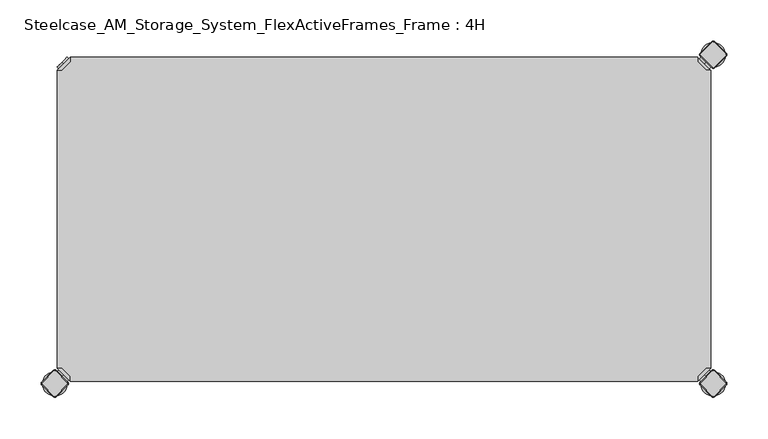
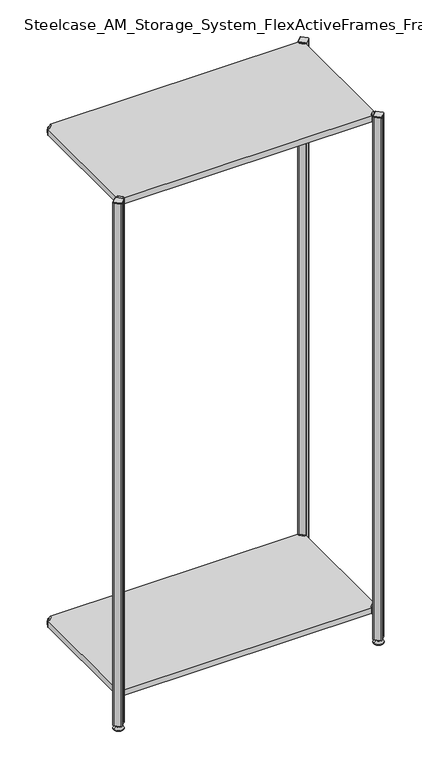
"""IFC4 building model written with IfcOpenShell, lengths in millimetres: furniture geometry, Steelcase_AM_Storage_System_FlexActiveFrames_Frame : 4H."""

from ifc_helpers import new_model, si_unit, point, frame, frame_2d, origin, place, context, project, spatial, polyline, circle_curve, trimmed, segment, composite_curve, outline, extrude, source, transform, mapped, element, save
from ifc_brep_helpers import plane_surface, cylinder_surface, revolved_surface, advanced_brep


def steelcase_am_storage_system_flexactiveframes_frame_4h_9c1597e1(model_context):
    return source(origin(), model_context, "Body", "SolidModel", [
        advanced_brep(
        [(10.9601551, -10.9601551, 1698.5), (10.9601551, -10.9601551, 1715.5), (10.9601551, -10.9601551, 1707.0), (8.8388348, -8.8388348, 1698.5), (8.8388348, -8.8388348, 1715.5), (8.8388348, -8.8388348, 1707.0)],
        [
            (0, 1, circle_curve(frame((10.9601551, -10.9601551, 1707.0), z_axis=(0.7071067811865464, -0.7071067811865487, 0.0), x_axis=(0.0, 0.0, 1.0)), 8.5)),
            (1, 2),
            (2, 0),
            (1, 0, circle_curve(frame((10.9601551, -10.9601551, 1707.0), z_axis=(0.7071067811865464, -0.7071067811865487, 0.0), x_axis=(0.0, 0.0, 1.0)), 8.5)),
            (3, 4, circle_curve(frame((8.8388348, -8.8388348, 1707.0), z_axis=(0.7071067811865464, -0.7071067811865487, 0.0), x_axis=(0.0, 0.0, 1.0)), 8.5)),
            (4, 1),
            (0, 3),
            (4, 3, circle_curve(frame((8.8388348, -8.8388348, 1707.0), z_axis=(0.7071067811865464, -0.7071067811865487, 0.0), x_axis=(0.0, 0.0, 1.0)), 8.5)),
            (5, 4),
            (3, 5),
        ],
        [
            plane_surface(frame((10.9601551, -10.9601551, 1707.0), z_axis=(0.707106781186546, -0.7071067811865491, 0.0), x_axis=(0.0, 0.0, 1.0))),
            cylinder_surface(frame((8.8388348, -8.8388348, 1707.0), z_axis=(-0.7071067811865464, 0.7071067811865487, 0.0), x_axis=(0.0, 0.0, 1.0)), 8.5),
            plane_surface(frame((8.8388348, -8.8388348, 1707.0), z_axis=(-0.707106781186546, 0.7071067811865491, 0.0), x_axis=(0.0, 0.0, 1.0))),
        ],
        [
            (0, [[1, 2, 3]]),
            (0, [[4, -3, -2]]),
            (1, [[5, 6, -1, 7]]),
            (1, [[8, -7, -4, -6]]),
            (2, [[9, -5, 10]]),
            (2, [[-10, -8, -9]]),
        ],
    ),
        advanced_brep(
        [(18.9203102, -3.0, 1717.0), (3.0, -18.9203102, 1717.0), (8.6568542, -18.9203102, 1717.0), (18.9203102, -8.6568542, 1717.0), (18.9203102, -3.0, 1698.0), (18.9203102, -3.0, 1697.0), (3.0, -18.9203102, 1697.0), (3.0, -18.9203102, 1698.0), (8.6568542, -18.9203102, 1698.0), (18.9203102, -8.6568542, 1698.0), (31.8093975, -47.7297077, 1698.0), (47.7297077, -31.8093975, 1698.0), (47.7297077, -31.8093975, 1697.0), (31.8093975, -47.7297077, 1697.0)],
        [
            (0, 1),
            (1, 2),
            (2, 3),
            (3, 0),
            (0, 4),
            (4, 5),
            (5, 6),
            (6, 7),
            (7, 1),
            (2, 8),
            (8, 9),
            (9, 3),
            (9, 4),
            (7, 8),
            (7, 10),
            (10, 11, circle_curve(frame((39.7695526, -39.7695526, 1698.0), z_axis=(0.0, 0.0, 1.0), x_axis=(1.0, 0.0, 0.0)), 11.2573593)),
            (11, 4),
            (5, 12),
            (12, 13, circle_curve(frame((39.7695526, -39.7695526, 1697.0), z_axis=(0.0, 0.0, -1.0), x_axis=(1.0, 0.0, 0.0)), 11.2573593)),
            (13, 6),
            (13, 10),
            (12, 11),
        ],
        [
            plane_surface(frame((-38.8756299, -60.7959401, 1717.0), z_axis=(0.0, 0.0, 1.0000000000000002), x_axis=(-0.7071067811865557, -0.7071067811865395, 0.0))),
            plane_surface(frame((18.9203102, -3.0, 1717.0), z_axis=(-0.7071067811865395, 0.7071067811865557, 0.0), x_axis=(0.0, 0.0, -1.0))),
            plane_surface(frame((8.6568542, -18.9203102, 1717.0), z_axis=(0.7071067811865481, -0.7071067811865469, 0.0), x_axis=(0.0, 0.0, -1.0))),
            plane_surface(frame((18.9203102, -8.6568542, 1717.0), z_axis=(1.0, 0.0, 0.0), x_axis=(0.0, 0.0, -1.0))),
            plane_surface(frame((3.0, -18.9203102, 1717.0), z_axis=(0.0, -1.0, 0.0), x_axis=(0.0, 0.0, -1.0))),
            plane_surface(frame((3.0, -18.9203102, 1698.0), z_axis=(0.0, 0.0, 1.0), x_axis=(-0.7071067811865485, -0.7071067811865466, 0.0))),
            plane_surface(frame((3.0, -18.9203102, 1697.0), z_axis=(0.0, 0.0, -1.0), x_axis=(0.7071067811865485, 0.7071067811865466, 0.0))),
            plane_surface(frame((3.0, -18.9203102, 1698.0), z_axis=(-0.7071067811865491, -0.707106781186546, 0.0), x_axis=(0.0, 0.0, -1.0))),
            cylinder_surface(frame((39.7695526, -39.7695526, 1697.0), z_axis=(0.0, 0.0, 1.0), x_axis=(1.0, 0.0, 0.0)), 11.2573593),
            plane_surface(frame((47.7297077, -31.8093975, 1698.0), z_axis=(0.707106781186548, 0.7071067811865471, 0.0), x_axis=(0.0, 0.0, -1.0))),
        ],
        [
            (0, [[1, 2, 3, 4]]),
            (1, [[-1, 5, 6, 7, 8, 9]]),
            (2, [[-3, 10, 11, 12]]),
            (3, [[-4, -12, 13, -5]]),
            (4, [[-2, -9, 14, -10]]),
            (5, [[15, 16, 17, -13, -11, -14]]),
            (6, [[18, 19, 20, -7]]),
            (7, [[-15, -8, -20, 21]]),
            (8, [[-16, -21, -19, 22]]),
            (9, [[-17, -22, -18, -6]]),
        ],
    ),
        extrude(outline(polyline([(781.0796898, -3.0), (781.0796898, -8.6568542), (791.3431458, -18.9203102), (797.0, -18.9203102), (797.0, -381.0796898), (791.3431458, -381.0796898), (781.0796898, -391.3431458), (781.0796898, -397.0), (18.9203102, -397.0), (18.9203102, -391.3431458), (8.6568542, -381.0796898), (3.0, -381.0796898), (3.0, -18.9203102), (8.6568542, -18.9203102), (18.9203102, -8.6568542), (18.9203102, -3.0), (781.0796898, -3.0)])), frame((0.0, 0.0, 1698.0), z_axis=(0.0, 0.0, 1.0), x_axis=(1.0, 0.0, 0.0)), (0.0, 0.0, 1.0), 19.0),
        advanced_brep(
        [(789.0398449, -10.9601551, 98.5), (789.0398449, -10.9601551, 107.0), (789.0398449, -10.9601551, 115.5), (791.1611652, -8.8388348, 98.5), (791.1611652, -8.8388348, 115.5), (791.1611652, -8.8388348, 107.0)],
        [
            (0, 1),
            (1, 2),
            (2, 0, circle_curve(frame((789.0398449, -10.9601551, 107.0), z_axis=(-0.7071067811865556, -0.7071067811865395, 0.0), x_axis=(0.0, 0.0, 1.0)), 8.5)),
            (0, 2, circle_curve(frame((789.0398449, -10.9601551, 107.0), z_axis=(-0.7071067811865556, -0.7071067811865395, 0.0), x_axis=(0.0, 0.0, 1.0)), 8.5)),
            (3, 0),
            (2, 4),
            (4, 3, circle_curve(frame((791.1611652, -8.8388348, 107.0), z_axis=(-0.7071067811865556, -0.7071067811865395, 0.0), x_axis=(0.0, 0.0, 1.0)), 8.5)),
            (3, 4, circle_curve(frame((791.1611652, -8.8388348, 107.0), z_axis=(-0.7071067811865556, -0.7071067811865395, 0.0), x_axis=(0.0, 0.0, 1.0)), 8.5)),
            (5, 3),
            (4, 5),
        ],
        [
            plane_surface(frame((789.0398449, -10.9601551, 107.0), z_axis=(-0.7071067811865552, -0.7071067811865399, 0.0), x_axis=(0.0, 0.0, 1.0))),
            cylinder_surface(frame((791.1611652, -8.8388348, 107.0), z_axis=(0.7071067811865556, 0.7071067811865395, 0.0), x_axis=(0.0, 0.0, 1.0)), 8.5),
            plane_surface(frame((791.1611652, -8.8388348, 107.0), z_axis=(0.7071067811865552, 0.7071067811865399, 0.0), x_axis=(0.0, 0.0, 1.0))),
        ],
        [
            (0, [[1, 2, 3]]),
            (0, [[-2, -1, 4]]),
            (1, [[5, -3, 6, 7]]),
            (1, [[-6, -4, -5, 8]]),
            (2, [[9, -7, 10]]),
            (2, [[-10, -8, -9]]),
        ],
    ),
        advanced_brep(
        [(781.0796898, -3.0, 117.0), (781.0796898, -8.6568542, 117.0), (791.3431458, -18.9203102, 117.0), (797.0, -18.9203102, 117.0), (797.0, -18.9203102, 98.0), (797.0, -18.9203102, 97.0), (781.0796898, -3.0, 97.0), (781.0796898, -3.0, 98.0), (781.0796898, -8.6568542, 98.0), (791.3431458, -18.9203102, 98.0), (752.2702923, -31.8093975, 98.0), (768.1906025, -47.7297077, 98.0), (768.1906025, -47.7297077, 97.0), (752.2702923, -31.8093975, 97.0)],
        [
            (0, 1),
            (1, 2),
            (2, 3),
            (3, 0),
            (3, 4),
            (4, 5),
            (5, 6),
            (6, 7),
            (7, 0),
            (1, 8),
            (8, 9),
            (9, 2),
            (7, 8),
            (9, 4),
            (7, 10),
            (10, 11, circle_curve(frame((760.2304474, -39.7695526, 98.0), z_axis=(0.0, 0.0, 1.0), x_axis=(-1.0, 0.0, 0.0)), 11.2573593)),
            (11, 4),
            (5, 12),
            (12, 13, circle_curve(frame((760.2304474, -39.7695526, 97.0), z_axis=(0.0, 0.0, -1.0), x_axis=(-1.0, 0.0, 0.0)), 11.2573593)),
            (13, 6),
            (11, 12),
            (10, 13),
        ],
        [
            plane_surface(frame((838.8756299, -60.7959401, 117.0), z_axis=(0.0, 0.0, 1.0000000000000002), x_axis=(0.7071067811865465, -0.7071067811865487, 0.0))),
            plane_surface(frame((781.0796898, -3.0, 117.0), z_axis=(0.7071067811865487, 0.7071067811865465, 0.0), x_axis=(0.0, 0.0, -1.0))),
            plane_surface(frame((791.3431458, -18.9203102, 117.0), z_axis=(-0.7071067811865573, -0.7071067811865377, 0.0), x_axis=(0.0, 0.0, -1.0))),
            plane_surface(frame((781.0796898, -8.6568542, 117.0), z_axis=(-1.0, 0.0, 0.0), x_axis=(0.0, 0.0, -1.0))),
            plane_surface(frame((797.0, -18.9203102, 117.0), z_axis=(0.0, -1.0, 0.0), x_axis=(0.0, 0.0, -1.0))),
            plane_surface(frame((797.0, -18.9203102, 98.0), z_axis=(0.0, 0.0, 1.0), x_axis=(0.7071067811865392, -0.7071067811865558, 0.0))),
            plane_surface(frame((797.0, -18.9203102, 97.0), z_axis=(0.0, 0.0, -1.0), x_axis=(-0.7071067811865392, 0.7071067811865558, 0.0))),
            plane_surface(frame((797.0, -18.9203102, 98.0), z_axis=(0.7071067811865399, -0.7071067811865552, 0.0), x_axis=(0.0, 0.0, -1.0))),
            cylinder_surface(frame((760.2304474, -39.7695526, 97.0), z_axis=(0.0, 0.0, 1.0), x_axis=(-1.0, 0.0, 0.0)), 11.2573593),
            plane_surface(frame((752.2702923, -31.8093975, 98.0), z_axis=(-0.7071067811865388, 0.7071067811865563, 0.0), x_axis=(0.0, 0.0, -1.0))),
        ],
        [
            (0, [[1, 2, 3, 4]]),
            (1, [[5, 6, 7, 8, 9, -4]]),
            (2, [[10, 11, 12, -2]]),
            (3, [[-9, 13, -10, -1]]),
            (4, [[-12, 14, -5, -3]]),
            (5, [[-14, -11, -13, 15, 16, 17]]),
            (6, [[-7, 18, 19, 20]]),
            (7, [[21, -18, -6, -17]]),
            (8, [[22, -19, -21, -16]]),
            (9, [[-8, -20, -22, -15]]),
        ],
    ),
        advanced_brep(
        [(789.0398449, -389.0398449, 98.5), (789.0398449, -389.0398449, 115.5), (789.0398449, -389.0398449, 107.0), (791.1611652, -391.1611652, 98.5), (791.1611652, -391.1611652, 115.5), (791.1611652, -391.1611652, 107.0)],
        [
            (0, 1, circle_curve(frame((789.0398449, -389.0398449, 107.0), z_axis=(-0.7071067811865509, 0.7071067811865441, 0.0), x_axis=(0.0, 0.0, 1.0)), 8.5)),
            (1, 2),
            (2, 0),
            (1, 0, circle_curve(frame((789.0398449, -389.0398449, 107.0), z_axis=(-0.7071067811865509, 0.7071067811865441, 0.0), x_axis=(0.0, 0.0, 1.0)), 8.5)),
            (3, 4, circle_curve(frame((791.1611652, -391.1611652, 107.0), z_axis=(-0.7071067811865509, 0.7071067811865441, 0.0), x_axis=(0.0, 0.0, 1.0)), 8.5)),
            (4, 1),
            (0, 3),
            (4, 3, circle_curve(frame((791.1611652, -391.1611652, 107.0), z_axis=(-0.7071067811865509, 0.7071067811865441, 0.0), x_axis=(0.0, 0.0, 1.0)), 8.5)),
            (5, 4),
            (3, 5),
        ],
        [
            plane_surface(frame((789.0398449, -389.0398449, 107.0), z_axis=(-0.7071067811865506, 0.7071067811865446, 0.0), x_axis=(0.0, 0.0, 1.0))),
            cylinder_surface(frame((791.1611652, -391.1611652, 107.0), z_axis=(0.7071067811865509, -0.7071067811865441, 0.0), x_axis=(0.0, 0.0, 1.0)), 8.5),
            plane_surface(frame((791.1611652, -391.1611652, 107.0), z_axis=(0.7071067811865506, -0.7071067811865446, 0.0), x_axis=(0.0, 0.0, 1.0))),
        ],
        [
            (0, [[1, 2, 3]]),
            (0, [[4, -3, -2]]),
            (1, [[5, 6, -1, 7]]),
            (1, [[8, -7, -4, -6]]),
            (2, [[9, -5, 10]]),
            (2, [[-10, -8, -9]]),
        ],
    ),
        advanced_brep(
        [(781.0796898, -397.0, 117.0), (797.0, -381.0796898, 117.0), (791.3431458, -381.0796898, 117.0), (781.0796898, -391.3431458, 117.0), (781.0796898, -397.0, 98.0), (781.0796898, -397.0, 97.0), (797.0, -381.0796898, 97.0), (797.0, -381.0796898, 98.0), (791.3431458, -381.0796898, 98.0), (781.0796898, -391.3431458, 98.0), (768.1906025, -352.2702923, 98.0), (752.2702923, -368.1906025, 98.0), (752.2702923, -368.1906025, 97.0), (768.1906025, -352.2702923, 97.0)],
        [
            (0, 1),
            (1, 2),
            (2, 3),
            (3, 0),
            (0, 4),
            (4, 5),
            (5, 6),
            (6, 7),
            (7, 1),
            (2, 8),
            (8, 9),
            (9, 3),
            (9, 4),
            (7, 8),
            (7, 10),
            (10, 11, circle_curve(frame((760.2304474, -360.2304474, 98.0), z_axis=(0.0, 0.0, 1.0), x_axis=(-1.0, 0.0, 0.0)), 11.2573593)),
            (11, 4),
            (5, 12),
            (12, 13, circle_curve(frame((760.2304474, -360.2304474, 97.0), z_axis=(0.0, 0.0, -1.0), x_axis=(-1.0, 0.0, 0.0)), 11.2573593)),
            (13, 6),
            (13, 10),
            (12, 11),
        ],
        [
            plane_surface(frame((838.8756299, -339.2040599, 117.0), z_axis=(0.0, 0.0, 1.0000000000000002), x_axis=(0.7071067811865511, 0.707106781186544, 0.0))),
            plane_surface(frame((781.0796898, -397.0, 117.0), z_axis=(0.707106781186544, -0.7071067811865511, 0.0), x_axis=(0.0, 0.0, -1.0))),
            plane_surface(frame((791.3431458, -381.0796898, 117.0), z_axis=(-0.7071067811865527, 0.7071067811865424, 0.0), x_axis=(0.0, 0.0, -1.0))),
            plane_surface(frame((781.0796898, -391.3431458, 117.0), z_axis=(-1.0, 0.0, 0.0), x_axis=(0.0, 0.0, -1.0))),
            plane_surface(frame((797.0, -381.0796898, 117.0), z_axis=(0.0, 1.0, 0.0), x_axis=(0.0, 0.0, -1.0))),
            plane_surface(frame((797.0, -381.0796898, 98.0), z_axis=(0.0, 0.0, 1.0), x_axis=(0.7071067811865439, 0.7071067811865511, 0.0))),
            plane_surface(frame((797.0, -381.0796898, 97.0), z_axis=(0.0, 0.0, -1.0), x_axis=(-0.7071067811865439, -0.7071067811865511, 0.0))),
            plane_surface(frame((797.0, -381.0796898, 98.0), z_axis=(0.7071067811865446, 0.7071067811865506, 0.0), x_axis=(0.0, 0.0, -1.0))),
            cylinder_surface(frame((760.2304474, -360.2304474, 97.0), z_axis=(0.0, 0.0, 1.0), x_axis=(-1.0, 0.0, 0.0)), 11.2573593),
            plane_surface(frame((752.2702923, -368.1906025, 98.0), z_axis=(-0.7071067811865435, -0.7071067811865517, 0.0), x_axis=(0.0, 0.0, -1.0))),
        ],
        [
            (0, [[1, 2, 3, 4]]),
            (1, [[-1, 5, 6, 7, 8, 9]]),
            (2, [[-3, 10, 11, 12]]),
            (3, [[-4, -12, 13, -5]]),
            (4, [[-2, -9, 14, -10]]),
            (5, [[15, 16, 17, -13, -11, -14]]),
            (6, [[18, 19, 20, -7]]),
            (7, [[-15, -8, -20, 21]]),
            (8, [[-16, -21, -19, 22]]),
            (9, [[-17, -22, -18, -6]]),
        ],
    ),
        advanced_brep(
        [(10.9601551, -389.0398449, 98.5), (10.9601551, -389.0398449, 107.0), (10.9601551, -389.0398449, 115.5), (8.8388348, -391.1611652, 98.5), (8.8388348, -391.1611652, 115.5), (8.8388348, -391.1611652, 107.0)],
        [
            (0, 1),
            (1, 2),
            (2, 0, circle_curve(frame((10.9601551, -389.0398449, 107.0), z_axis=(0.7071067811865509, 0.7071067811865441, 0.0), x_axis=(0.0, 0.0, 1.0)), 8.5)),
            (0, 2, circle_curve(frame((10.9601551, -389.0398449, 107.0), z_axis=(0.7071067811865509, 0.7071067811865441, 0.0), x_axis=(0.0, 0.0, 1.0)), 8.5)),
            (3, 0),
            (2, 4),
            (4, 3, circle_curve(frame((8.8388348, -391.1611652, 107.0), z_axis=(0.7071067811865509, 0.7071067811865441, 0.0), x_axis=(0.0, 0.0, 1.0)), 8.5)),
            (3, 4, circle_curve(frame((8.8388348, -391.1611652, 107.0), z_axis=(0.7071067811865509, 0.7071067811865441, 0.0), x_axis=(0.0, 0.0, 1.0)), 8.5)),
            (5, 3),
            (4, 5),
        ],
        [
            plane_surface(frame((10.9601551, -389.0398449, 107.0), z_axis=(0.7071067811865506, 0.7071067811865446, 0.0), x_axis=(0.0, 0.0, 1.0))),
            cylinder_surface(frame((8.8388348, -391.1611652, 107.0), z_axis=(-0.7071067811865509, -0.7071067811865441, 0.0), x_axis=(0.0, 0.0, 1.0)), 8.5),
            plane_surface(frame((8.8388348, -391.1611652, 107.0), z_axis=(-0.7071067811865506, -0.7071067811865446, 0.0), x_axis=(0.0, 0.0, 1.0))),
        ],
        [
            (0, [[1, 2, 3]]),
            (0, [[-2, -1, 4]]),
            (1, [[5, -3, 6, 7]]),
            (1, [[-6, -4, -5, 8]]),
            (2, [[9, -7, 10]]),
            (2, [[-10, -8, -9]]),
        ],
    ),
        advanced_brep(
        [(18.9203102, -397.0, 117.0), (18.9203102, -391.3431458, 117.0), (8.6568542, -381.0796898, 117.0), (3.0, -381.0796898, 117.0), (3.0, -381.0796898, 98.0), (3.0, -381.0796898, 97.0), (18.9203102, -397.0, 97.0), (18.9203102, -397.0, 98.0), (18.9203102, -391.3431458, 98.0), (8.6568542, -381.0796898, 98.0), (47.7297077, -368.1906025, 98.0), (31.8093975, -352.2702923, 98.0), (31.8093975, -352.2702923, 97.0), (47.7297077, -368.1906025, 97.0)],
        [
            (0, 1),
            (1, 2),
            (2, 3),
            (3, 0),
            (3, 4),
            (4, 5),
            (5, 6),
            (6, 7),
            (7, 0),
            (1, 8),
            (8, 9),
            (9, 2),
            (7, 8),
            (9, 4),
            (7, 10),
            (10, 11, circle_curve(frame((39.7695526, -360.2304474, 98.0), z_axis=(0.0, 0.0, 1.0), x_axis=(1.0, 0.0, 0.0)), 11.2573593)),
            (11, 4),
            (5, 12),
            (12, 13, circle_curve(frame((39.7695526, -360.2304474, 97.0), z_axis=(0.0, 0.0, -1.0), x_axis=(1.0, 0.0, 0.0)), 11.2573593)),
            (13, 6),
            (11, 12),
            (10, 13),
        ],
        [
            plane_surface(frame((-38.8756299, -339.2040599, 117.0), z_axis=(0.0, 0.0, 1.0000000000000002), x_axis=(-0.7071067811865511, 0.707106781186544, 0.0))),
            plane_surface(frame((18.9203102, -397.0, 117.0), z_axis=(-0.707106781186544, -0.7071067811865511, 0.0), x_axis=(0.0, 0.0, -1.0))),
            plane_surface(frame((8.6568542, -381.0796898, 117.0), z_axis=(0.7071067811865527, 0.7071067811865424, 0.0), x_axis=(0.0, 0.0, -1.0))),
            plane_surface(frame((18.9203102, -391.3431458, 117.0), z_axis=(1.0, 0.0, 0.0), x_axis=(0.0, 0.0, -1.0))),
            plane_surface(frame((3.0, -381.0796898, 117.0), z_axis=(0.0, 1.0, 0.0), x_axis=(0.0, 0.0, -1.0))),
            plane_surface(frame((3.0, -381.0796898, 98.0), z_axis=(0.0, 0.0, 1.0), x_axis=(-0.7071067811865439, 0.7071067811865511, 0.0))),
            plane_surface(frame((3.0, -381.0796898, 97.0), z_axis=(0.0, 0.0, -1.0), x_axis=(0.7071067811865439, -0.7071067811865511, 0.0))),
            plane_surface(frame((3.0, -381.0796898, 98.0), z_axis=(-0.7071067811865446, 0.7071067811865506, 0.0), x_axis=(0.0, 0.0, -1.0))),
            cylinder_surface(frame((39.7695526, -360.2304474, 97.0), z_axis=(0.0, 0.0, 1.0), x_axis=(1.0, 0.0, 0.0)), 11.2573593),
            plane_surface(frame((47.7297077, -368.1906025, 98.0), z_axis=(0.7071067811865435, -0.7071067811865517, 0.0), x_axis=(0.0, 0.0, -1.0))),
        ],
        [
            (0, [[1, 2, 3, 4]]),
            (1, [[5, 6, 7, 8, 9, -4]]),
            (2, [[10, 11, 12, -2]]),
            (3, [[-9, 13, -10, -1]]),
            (4, [[-12, 14, -5, -3]]),
            (5, [[-14, -11, -13, 15, 16, 17]]),
            (6, [[-7, 18, 19, 20]]),
            (7, [[21, -18, -6, -17]]),
            (8, [[22, -19, -21, -16]]),
            (9, [[-8, -20, -22, -15]]),
        ],
    ),
        advanced_brep(
        [(10.9601551, -10.9601551, 98.5), (10.9601551, -10.9601551, 115.5), (10.9601551, -10.9601551, 107.0), (8.8388348, -8.8388348, 98.5), (8.8388348, -8.8388348, 115.5), (8.8388348, -8.8388348, 107.0)],
        [
            (0, 1, circle_curve(frame((10.9601551, -10.9601551, 107.0), z_axis=(0.7071067811865464, -0.7071067811865487, 0.0), x_axis=(0.0, 0.0, 1.0)), 8.5)),
            (1, 2),
            (2, 0),
            (1, 0, circle_curve(frame((10.9601551, -10.9601551, 107.0), z_axis=(0.7071067811865464, -0.7071067811865487, 0.0), x_axis=(0.0, 0.0, 1.0)), 8.5)),
            (3, 4, circle_curve(frame((8.8388348, -8.8388348, 107.0), z_axis=(0.7071067811865464, -0.7071067811865487, 0.0), x_axis=(0.0, 0.0, 1.0)), 8.5)),
            (4, 1),
            (0, 3),
            (4, 3, circle_curve(frame((8.8388348, -8.8388348, 107.0), z_axis=(0.7071067811865464, -0.7071067811865487, 0.0), x_axis=(0.0, 0.0, 1.0)), 8.5)),
            (5, 4),
            (3, 5),
        ],
        [
            plane_surface(frame((10.9601551, -10.9601551, 107.0), z_axis=(0.707106781186546, -0.7071067811865491, 0.0), x_axis=(0.0, 0.0, 1.0))),
            cylinder_surface(frame((8.8388348, -8.8388348, 107.0), z_axis=(-0.7071067811865464, 0.7071067811865487, 0.0), x_axis=(0.0, 0.0, 1.0)), 8.5),
            plane_surface(frame((8.8388348, -8.8388348, 107.0), z_axis=(-0.707106781186546, 0.7071067811865491, 0.0), x_axis=(0.0, 0.0, 1.0))),
        ],
        [
            (0, [[1, 2, 3]]),
            (0, [[4, -3, -2]]),
            (1, [[5, 6, -1, 7]]),
            (1, [[8, -7, -4, -6]]),
            (2, [[9, -5, 10]]),
            (2, [[-10, -8, -9]]),
        ],
    ),
        advanced_brep(
        [(18.9203102, -3.0, 117.0), (3.0, -18.9203102, 117.0), (8.6568542, -18.9203102, 117.0), (18.9203102, -8.6568542, 117.0), (18.9203102, -3.0, 98.0), (18.9203102, -3.0, 97.0), (3.0, -18.9203102, 97.0), (3.0, -18.9203102, 98.0), (8.6568542, -18.9203102, 98.0), (18.9203102, -8.6568542, 98.0), (31.8093975, -47.7297077, 98.0), (47.7297077, -31.8093975, 98.0), (47.7297077, -31.8093975, 97.0), (31.8093975, -47.7297077, 97.0)],
        [
            (0, 1),
            (1, 2),
            (2, 3),
            (3, 0),
            (0, 4),
            (4, 5),
            (5, 6),
            (6, 7),
            (7, 1),
            (2, 8),
            (8, 9),
            (9, 3),
            (9, 4),
            (7, 8),
            (7, 10),
            (10, 11, circle_curve(frame((39.7695526, -39.7695526, 98.0), z_axis=(0.0, 0.0, 1.0), x_axis=(1.0, 0.0, 0.0)), 11.2573593)),
            (11, 4),
            (5, 12),
            (12, 13, circle_curve(frame((39.7695526, -39.7695526, 97.0), z_axis=(0.0, 0.0, -1.0), x_axis=(1.0, 0.0, 0.0)), 11.2573593)),
            (13, 6),
            (13, 10),
            (12, 11),
        ],
        [
            plane_surface(frame((-38.8756299, -60.7959401, 117.0), z_axis=(0.0, 0.0, 1.0000000000000002), x_axis=(-0.7071067811865557, -0.7071067811865395, 0.0))),
            plane_surface(frame((18.9203102, -3.0, 117.0), z_axis=(-0.7071067811865395, 0.7071067811865557, 0.0), x_axis=(0.0, 0.0, -1.0))),
            plane_surface(frame((8.6568542, -18.9203102, 117.0), z_axis=(0.7071067811865481, -0.7071067811865469, 0.0), x_axis=(0.0, 0.0, -1.0))),
            plane_surface(frame((18.9203102, -8.6568542, 117.0), z_axis=(1.0, 0.0, 0.0), x_axis=(0.0, 0.0, -1.0))),
            plane_surface(frame((3.0, -18.9203102, 117.0), z_axis=(0.0, -1.0, 0.0), x_axis=(0.0, 0.0, -1.0))),
            plane_surface(frame((3.0, -18.9203102, 98.0), z_axis=(0.0, 0.0, 1.0), x_axis=(-0.7071067811865485, -0.7071067811865466, 0.0))),
            plane_surface(frame((3.0, -18.9203102, 97.0), z_axis=(0.0, 0.0, -1.0), x_axis=(0.7071067811865485, 0.7071067811865466, 0.0))),
            plane_surface(frame((3.0, -18.9203102, 98.0), z_axis=(-0.7071067811865491, -0.707106781186546, 0.0), x_axis=(0.0, 0.0, -1.0))),
            cylinder_surface(frame((39.7695526, -39.7695526, 97.0), z_axis=(0.0, 0.0, 1.0), x_axis=(1.0, 0.0, 0.0)), 11.2573593),
            plane_surface(frame((47.7297077, -31.8093975, 98.0), z_axis=(0.707106781186548, 0.7071067811865471, 0.0), x_axis=(0.0, 0.0, -1.0))),
        ],
        [
            (0, [[1, 2, 3, 4]]),
            (1, [[-1, 5, 6, 7, 8, 9]]),
            (2, [[-3, 10, 11, 12]]),
            (3, [[-4, -12, 13, -5]]),
            (4, [[-2, -9, 14, -10]]),
            (5, [[15, 16, 17, -13, -11, -14]]),
            (6, [[18, 19, 20, -7]]),
            (7, [[-15, -8, -20, 21]]),
            (8, [[-16, -21, -19, 22]]),
            (9, [[-17, -22, -18, -6]]),
        ],
    ),
        extrude(outline(polyline([(781.0796898, -3.0), (781.0796898, -8.6568542), (791.3431458, -18.9203102), (797.0, -18.9203102), (797.0, -381.0796898), (791.3431458, -381.0796898), (781.0796898, -391.3431458), (781.0796898, -397.0), (18.9203102, -397.0), (18.9203102, -391.3431458), (8.6568542, -381.0796898), (3.0, -381.0796898), (3.0, -18.9203102), (8.6568542, -18.9203102), (18.9203102, -8.6568542), (18.9203102, -3.0), (781.0796898, -3.0)])), frame((0.0, 0.0, 98.0), z_axis=(0.0, 0.0, 1.0), x_axis=(1.0, 0.0, 0.0)), (0.0, 0.0, 1.0), 19.0),
        advanced_brep(
        [(785.0, -400.0, 0.0), (815.0, -400.0, 0.0), (800.0, -400.0, 0.0), (785.0, -400.0, 2.0), (815.0, -400.0, 2.0), (792.0, -400.0, 9.0), (808.0, -400.0, 9.0), (796.0, -400.0, 9.0), (804.0, -400.0, 9.0), (796.0, -400.0, 15.0), (804.0, -400.0, 15.0), (800.0, -400.0, 15.0)],
        [
            (0, 1, circle_curve(frame((800.0, -400.0, 0.0), z_axis=(0.0, 0.0, -1.0), x_axis=(1.0, 0.0, 0.0)), 15.0)),
            (1, 2),
            (2, 0),
            (1, 0, circle_curve(frame((800.0, -400.0, 0.0), z_axis=(0.0, 0.0, -1.0), x_axis=(1.0, 0.0, 0.0)), 15.0)),
            (3, 4, circle_curve(frame((800.0, -400.0, 2.0), z_axis=(0.0, 0.0, -1.0), x_axis=(1.0, 0.0, 0.0)), 15.0)),
            (4, 1),
            (0, 3),
            (4, 3, circle_curve(frame((800.0, -400.0, 2.0), z_axis=(0.0, 0.0, -1.0), x_axis=(1.0, 0.0, 0.0)), 15.0)),
            (5, 6, circle_curve(frame((800.0, -400.0, 9.0), z_axis=(0.0, 0.0, -1.0), x_axis=(1.0, 0.0, 0.0)), 8.0)),
            (6, 4),
            (3, 5),
            (6, 5, circle_curve(frame((800.0, -400.0, 9.0), z_axis=(0.0, 0.0, -1.0), x_axis=(1.0, 0.0, 0.0)), 8.0)),
            (7, 8, circle_curve(frame((800.0, -400.0, 9.0), z_axis=(0.0, 0.0, -1.0), x_axis=(1.0, 0.0, 0.0)), 4.0)),
            (8, 6),
            (5, 7),
            (8, 7, circle_curve(frame((800.0, -400.0, 9.0), z_axis=(0.0, 0.0, -1.0), x_axis=(1.0, 0.0, 0.0)), 4.0)),
            (9, 10, circle_curve(frame((800.0, -400.0, 15.0), z_axis=(0.0, 0.0, -1.0), x_axis=(1.0, 0.0, 0.0)), 4.0)),
            (10, 8),
            (7, 9),
            (10, 9, circle_curve(frame((800.0, -400.0, 15.0), z_axis=(0.0, 0.0, -1.0), x_axis=(1.0, 0.0, 0.0)), 4.0)),
            (11, 10),
            (9, 11),
        ],
        [
            plane_surface(frame((800.0, -400.0, 0.0), z_axis=(0.0, 0.0, -1.0), x_axis=(1.0, 0.0, 0.0))),
            cylinder_surface(frame((800.0, -400.0, 18.6083303), z_axis=(0.0, 0.0, 1.0), x_axis=(1.0, 0.0, 0.0)), 15.0),
            revolved_surface(polyline([(815.0, -400.0, 2.0), (808.0, -400.0, 9.0)]), (800.0, -400.0, 18.6083303), (0.0, 0.0, 1.0)),
            plane_surface(frame((800.0, -400.0, 9.0), z_axis=(0.0, 0.0, 1.0), x_axis=(1.0, 0.0, 0.0))),
            cylinder_surface(frame((800.0, -400.0, 18.6083303), z_axis=(0.0, 0.0, 1.0), x_axis=(1.0, 0.0, 0.0)), 4.0),
            plane_surface(frame((800.0, -400.0, 15.0), z_axis=(0.0, 0.0, 1.0), x_axis=(1.0, 0.0, 0.0))),
        ],
        [
            (0, [[1, 2, 3]]),
            (0, [[4, -3, -2]]),
            (1, [[5, 6, -1, 7]]),
            (1, [[8, -7, -4, -6]]),
            (2, [[9, 10, -5, 11]]),
            (2, [[12, -11, -8, -10]]),
            (3, [[13, 14, -9, 15]]),
            (3, [[16, -15, -12, -14]]),
            (4, [[17, 18, -13, 19]]),
            (4, [[20, -19, -16, -18]]),
            (5, [[21, -17, 22]]),
            (5, [[-22, -20, -21]]),
        ],
    ),
        advanced_brep(
        [(798.7979185, -384.6557828, 1717.0), (784.6557828, -398.7979185, 1717.0), (784.6557828, -401.2020815, 1717.0), (798.7979185, -415.3442172, 1717.0), (801.2020815, -415.3442172, 1717.0), (815.3442172, -401.2020815, 1717.0), (815.3442172, -398.7979185, 1717.0), (801.2020815, -384.6557828, 1717.0), (798.232233, -384.0900974, 1715.0), (801.767767, -384.0900974, 1715.0), (815.9099026, -398.232233, 1715.0), (815.9099026, -401.767767, 1715.0), (801.767767, -415.9099026, 1715.0), (798.232233, -415.9099026, 1715.0), (784.0900974, -401.767767, 1715.0), (784.0900974, -398.232233, 1715.0)],
        [
            (0, 1),
            (1, 2, circle_curve(frame((785.8578644, -400.0, 1717.0), z_axis=(0.0, 0.0, 1.0), x_axis=(-0.707106781186549, 0.707106781186546, 0.0)), 1.7)),
            (2, 3),
            (3, 4, circle_curve(frame((800.0, -414.1421356, 1717.0), z_axis=(0.0, 0.0, 1.0), x_axis=(-0.7071067811865497, -0.7071067811865452, 0.0)), 1.7)),
            (4, 5),
            (5, 6, circle_curve(frame((814.1421356, -400.0, 1717.0), z_axis=(0.0, 0.0, 1.0), x_axis=(0.7071067811865358, -0.7071067811865593, 0.0)), 1.7)),
            (6, 7),
            (7, 0, circle_curve(frame((800.0, -385.8578644, 1717.0), z_axis=(0.0, 0.0, 1.0), x_axis=(0.7071067811865486, 0.7071067811865465, 0.0)), 1.7)),
            (8, 9, circle_curve(frame((800.0, -385.8578644, 1715.0), z_axis=(0.0, 0.0, -1.0), x_axis=(0.7071067811865486, 0.7071067811865465, 0.0)), 2.5)),
            (9, 10),
            (10, 11, circle_curve(frame((814.1421356, -400.0, 1715.0), z_axis=(0.0, 0.0, -1.0), x_axis=(0.7071067811865358, -0.7071067811865593, 0.0)), 2.5)),
            (11, 12),
            (12, 13, circle_curve(frame((800.0, -414.1421356, 1715.0), z_axis=(0.0, 0.0, -1.0), x_axis=(-0.7071067811865497, -0.7071067811865452, 0.0)), 2.5)),
            (13, 14),
            (14, 15, circle_curve(frame((785.8578644, -400.0, 1715.0), z_axis=(0.0, 0.0, -1.0), x_axis=(-0.707106781186549, 0.707106781186546, 0.0)), 2.5)),
            (15, 8),
            (15, 1),
            (0, 8),
            (14, 2),
            (13, 3),
            (12, 4),
            (11, 5),
            (10, 6),
            (9, 7),
        ],
        [
            plane_surface(frame((800.0, -400.0, 1717.0), z_axis=(0.0, 0.0, 1.0), x_axis=(-0.7071067811865437, 0.7071067811865515, 0.0))),
            plane_surface(frame((800.0, -400.0, 1715.0), z_axis=(0.0, 0.0, -1.0), x_axis=(-0.7071067811865437, 0.7071067811865515, 0.0))),
            plane_surface(frame((791.1611652, -391.1611652, 1715.0), z_axis=(-0.6565321642986293, 0.6565321642986277, 0.37139067635404877), x_axis=(-0.7071067811865461, -0.707106781186549, 0.0))),
            revolved_surface(polyline([(784.65578284, -398.79791844, 1717.0), (784.0900974, -398.232233, 1715.0)]), (785.8578644, -400.0, 1721.25), (0.0, 0.0, -1.0)),
            plane_surface(frame((791.1611652, -408.8388348, 1715.0), z_axis=(-0.656532164298625, -0.656532164298632, 0.37139067635404815), x_axis=(0.7071067811865507, -0.7071067811865444, 0.0))),
            revolved_surface(polyline([(798.79791844, -415.34421716, 1717.0), (798.232233, -415.9099026, 1715.0)]), (800.0, -414.1421356, 1721.25), (0.0, 0.0, -1.0)),
            plane_surface(frame((808.8388348, -408.8388348, 1715.0), z_axis=(0.6565321642986273, -0.6565321642986317, 0.3713906763540451), x_axis=(0.7071067811865506, 0.7071067811865446, 0.0))),
            revolved_surface(polyline([(815.34421716, -401.20208156, 1717.0), (815.9099026, -401.767767, 1715.0)]), (814.1421356, -400.0, 1721.25), (0.0, 0.0, -1.0)),
            plane_surface(frame((808.8388348, -391.1611652, 1715.0), z_axis=(0.6565321642986316, 0.6565321642986274, 0.3713906763540451), x_axis=(-0.7071067811865459, 0.7071067811865492, 0.0))),
            revolved_surface(polyline([(801.20208156, -384.65578284, 1717.0), (801.767767, -384.0900974, 1715.0)]), (800.0, -385.8578644, 1721.25), (0.0, 0.0, -1.0)),
        ],
        [
            (0, [[1, 2, 3, 4, 5, 6, 7, 8]]),
            (1, [[9, 10, 11, 12, 13, 14, 15, 16]]),
            (2, [[-16, 17, -1, 18]]),
            (3, [[-15, 19, -2, -17]]),
            (4, [[-14, 20, -3, -19]]),
            (5, [[-13, 21, -4, -20]]),
            (6, [[-12, 22, -5, -21]]),
            (7, [[-11, 23, -6, -22]]),
            (8, [[-10, 24, -7, -23]]),
            (9, [[-9, -18, -8, -24]]),
        ],
    ),
        extrude(outline(composite_curve([segment(trimmed(circle_curve(frame_2d((814.1421356, -400.0)), 2.5), [point((815.9099026, -398.232233))], [point((815.9099026, -401.767767))], False, "CARTESIAN"), True, "CONTINUOUS"), segment(polyline([(815.9099026, -401.767767), (801.767767, -415.9099026)]), True, "CONTINUOUS"), segment(trimmed(circle_curve(frame_2d((800.0, -414.1421356)), 2.5), [point((801.767767, -415.9099026))], [point((798.232233, -415.9099026))], False, "CARTESIAN"), True, "CONTINUOUS"), segment(polyline([(798.232233, -415.9099026), (784.0900974, -401.767767)]), True, "CONTINUOUS"), segment(trimmed(circle_curve(frame_2d((785.8578644, -400.0)), 2.5), [point((784.0900974, -401.767767))], [point((784.0900974, -398.232233))], False, "CARTESIAN"), True, "CONTINUOUS"), segment(polyline([(784.0900974, -398.232233), (798.232233, -384.0900974)]), True, "CONTINUOUS"), segment(trimmed(circle_curve(frame_2d((800.0, -385.8578644)), 2.5), [point((798.232233, -384.0900974))], [point((801.767767, -384.0900974))], False, "CARTESIAN"), True, "CONTINUOUS"), segment(polyline([(801.767767, -384.0900974), (815.9099026, -398.232233)]), True, "CONTINUOUS")], self_intersect=False)), frame((0.0, 0.0, 15.0), z_axis=(0.0, 0.0, 1.0), x_axis=(1.0, 0.0, 0.0)), (0.0, 0.0, 1.0), 1700.0),
        advanced_brep(
        [(785.0, 0.0, 0.0), (815.0, 0.0, 0.0), (800.0, 0.0, 0.0), (785.0, 0.0, 2.0), (815.0, 0.0, 2.0), (792.0, 0.0, 9.0), (808.0, 0.0, 9.0), (796.0, 0.0, 9.0), (804.0, 0.0, 9.0), (796.0, 0.0, 15.0), (804.0, 0.0, 15.0), (800.0, 0.0, 15.0)],
        [
            (0, 1, circle_curve(frame((800.0, 0.0, 0.0), z_axis=(0.0, 0.0, -1.0), x_axis=(1.0, 0.0, 0.0)), 15.0)),
            (1, 2),
            (2, 0),
            (1, 0, circle_curve(frame((800.0, 0.0, 0.0), z_axis=(0.0, 0.0, -1.0), x_axis=(1.0, 0.0, 0.0)), 15.0)),
            (3, 4, circle_curve(frame((800.0, 0.0, 2.0), z_axis=(0.0, 0.0, -1.0), x_axis=(1.0, 0.0, 0.0)), 15.0)),
            (4, 1),
            (0, 3),
            (4, 3, circle_curve(frame((800.0, 0.0, 2.0), z_axis=(0.0, 0.0, -1.0), x_axis=(1.0, 0.0, 0.0)), 15.0)),
            (5, 6, circle_curve(frame((800.0, 0.0, 9.0), z_axis=(0.0, 0.0, -1.0), x_axis=(1.0, 0.0, 0.0)), 8.0)),
            (6, 4),
            (3, 5),
            (6, 5, circle_curve(frame((800.0, 0.0, 9.0), z_axis=(0.0, 0.0, -1.0), x_axis=(1.0, 0.0, 0.0)), 8.0)),
            (7, 8, circle_curve(frame((800.0, 0.0, 9.0), z_axis=(0.0, 0.0, -1.0), x_axis=(1.0, 0.0, 0.0)), 4.0)),
            (8, 6),
            (5, 7),
            (8, 7, circle_curve(frame((800.0, 0.0, 9.0), z_axis=(0.0, 0.0, -1.0), x_axis=(1.0, 0.0, 0.0)), 4.0)),
            (9, 10, circle_curve(frame((800.0, 0.0, 15.0), z_axis=(0.0, 0.0, -1.0), x_axis=(1.0, 0.0, 0.0)), 4.0)),
            (10, 8),
            (7, 9),
            (10, 9, circle_curve(frame((800.0, 0.0, 15.0), z_axis=(0.0, 0.0, -1.0), x_axis=(1.0, 0.0, 0.0)), 4.0)),
            (11, 10),
            (9, 11),
        ],
        [
            plane_surface(frame((800.0, 0.0, 0.0), z_axis=(0.0, 0.0, -1.0), x_axis=(1.0, 0.0, 0.0))),
            cylinder_surface(frame((800.0, 0.0, 18.6083303), z_axis=(0.0, 0.0, 1.0), x_axis=(1.0, 0.0, 0.0)), 15.0),
            revolved_surface(polyline([(815.0, 0.0, 2.0), (808.0, 0.0, 9.0)]), (800.0, 0.0, 18.6083303), (0.0, 0.0, 1.0)),
            plane_surface(frame((800.0, 0.0, 9.0), z_axis=(0.0, 0.0, 1.0), x_axis=(1.0, 0.0, 0.0))),
            cylinder_surface(frame((800.0, 0.0, 18.6083303), z_axis=(0.0, 0.0, 1.0), x_axis=(1.0, 0.0, 0.0)), 4.0),
            plane_surface(frame((800.0, 0.0, 15.0), z_axis=(0.0, 0.0, 1.0), x_axis=(1.0, 0.0, 0.0))),
        ],
        [
            (0, [[1, 2, 3]]),
            (0, [[4, -3, -2]]),
            (1, [[5, 6, -1, 7]]),
            (1, [[8, -7, -4, -6]]),
            (2, [[9, 10, -5, 11]]),
            (2, [[12, -11, -8, -10]]),
            (3, [[13, 14, -9, 15]]),
            (3, [[16, -15, -12, -14]]),
            (4, [[17, 18, -13, 19]]),
            (4, [[20, -19, -16, -18]]),
            (5, [[21, -17, 22]]),
            (5, [[-22, -20, -21]]),
        ],
    ),
        advanced_brep(
        [(798.7979185, 15.3442172, 1717.0), (784.6557828, 1.2020815, 1717.0), (784.6557828, -1.2020815, 1717.0), (798.7979185, -15.3442172, 1717.0), (801.2020815, -15.3442172, 1717.0), (815.3442172, -1.2020815, 1717.0), (815.3442172, 1.2020815, 1717.0), (801.2020815, 15.3442172, 1717.0), (798.232233, 15.9099026, 1715.0), (801.767767, 15.9099026, 1715.0), (815.9099026, 1.767767, 1715.0), (815.9099026, -1.767767, 1715.0), (801.767767, -15.9099026, 1715.0), (798.232233, -15.9099026, 1715.0), (784.0900974, -1.767767, 1715.0), (784.0900974, 1.767767, 1715.0)],
        [
            (0, 1),
            (1, 2, circle_curve(frame((785.8578644, 0.0, 1717.0), z_axis=(0.0, 0.0, 1.0), x_axis=(-0.707106781186549, 0.707106781186546, 0.0)), 1.7)),
            (2, 3),
            (3, 4, circle_curve(frame((800.0, -14.1421356, 1717.0), z_axis=(0.0, 0.0, 1.0), x_axis=(-0.7071067811865497, -0.7071067811865452, 0.0)), 1.7)),
            (4, 5),
            (5, 6, circle_curve(frame((814.1421356, 0.0, 1717.0), z_axis=(0.0, 0.0, 1.0), x_axis=(0.7071067811865358, -0.7071067811865593, 0.0)), 1.7)),
            (6, 7),
            (7, 0, circle_curve(frame((800.0, 14.1421356, 1717.0), z_axis=(0.0, 0.0, 1.0), x_axis=(0.7071067811865486, 0.7071067811865465, 0.0)), 1.7)),
            (8, 9, circle_curve(frame((800.0, 14.1421356, 1715.0), z_axis=(0.0, 0.0, -1.0), x_axis=(0.7071067811865486, 0.7071067811865465, 0.0)), 2.5)),
            (9, 10),
            (10, 11, circle_curve(frame((814.1421356, 0.0, 1715.0), z_axis=(0.0, 0.0, -1.0), x_axis=(0.7071067811865358, -0.7071067811865593, 0.0)), 2.5)),
            (11, 12),
            (12, 13, circle_curve(frame((800.0, -14.1421356, 1715.0), z_axis=(0.0, 0.0, -1.0), x_axis=(-0.7071067811865497, -0.7071067811865452, 0.0)), 2.5)),
            (13, 14),
            (14, 15, circle_curve(frame((785.8578644, 0.0, 1715.0), z_axis=(0.0, 0.0, -1.0), x_axis=(-0.707106781186549, 0.707106781186546, 0.0)), 2.5)),
            (15, 8),
            (15, 1),
            (0, 8),
            (14, 2),
            (13, 3),
            (12, 4),
            (11, 5),
            (10, 6),
            (9, 7),
        ],
        [
            plane_surface(frame((800.0, 0.0, 1717.0), z_axis=(0.0, 0.0, 1.0), x_axis=(-0.7071067811865437, 0.7071067811865515, 0.0))),
            plane_surface(frame((800.0, 0.0, 1715.0), z_axis=(0.0, 0.0, -1.0), x_axis=(-0.7071067811865437, 0.7071067811865515, 0.0))),
            plane_surface(frame((791.1611652, 8.8388348, 1715.0), z_axis=(-0.6565321642986293, 0.6565321642986277, 0.37139067635404877), x_axis=(-0.7071067811865461, -0.707106781186549, 0.0))),
            revolved_surface(polyline([(784.65578284, 1.20208156, 1717.0), (784.0900974, 1.767767, 1715.0)]), (785.8578644, 0.0, 1721.25), (0.0, 0.0, -1.0)),
            plane_surface(frame((791.1611652, -8.8388348, 1715.0), z_axis=(-0.656532164298625, -0.656532164298632, 0.37139067635404815), x_axis=(0.7071067811865507, -0.7071067811865444, 0.0))),
            revolved_surface(polyline([(798.79791844, -15.34421716, 1717.0), (798.232233, -15.9099026, 1715.0)]), (800.0, -14.1421356, 1721.25), (0.0, 0.0, -1.0)),
            plane_surface(frame((808.8388348, -8.8388348, 1715.0), z_axis=(0.6565321642986273, -0.6565321642986317, 0.3713906763540451), x_axis=(0.7071067811865506, 0.7071067811865446, 0.0))),
            revolved_surface(polyline([(815.34421716, -1.20208156, 1717.0), (815.9099026, -1.767767, 1715.0)]), (814.1421356, 0.0, 1721.25), (0.0, 0.0, -1.0)),
            plane_surface(frame((808.8388348, 8.8388348, 1715.0), z_axis=(0.6565321642986316, 0.6565321642986274, 0.3713906763540451), x_axis=(-0.7071067811865459, 0.7071067811865492, 0.0))),
            revolved_surface(polyline([(801.20208156, 15.34421716, 1717.0), (801.767767, 15.9099026, 1715.0)]), (800.0, 14.1421356, 1721.25), (0.0, 0.0, -1.0)),
        ],
        [
            (0, [[1, 2, 3, 4, 5, 6, 7, 8]]),
            (1, [[9, 10, 11, 12, 13, 14, 15, 16]]),
            (2, [[-16, 17, -1, 18]]),
            (3, [[-15, 19, -2, -17]]),
            (4, [[-14, 20, -3, -19]]),
            (5, [[-13, 21, -4, -20]]),
            (6, [[-12, 22, -5, -21]]),
            (7, [[-11, 23, -6, -22]]),
            (8, [[-10, 24, -7, -23]]),
            (9, [[-9, -18, -8, -24]]),
        ],
    ),
        extrude(outline(composite_curve([segment(trimmed(circle_curve(frame_2d((814.1421356, 0.0)), 2.5), [point((815.9099026, 1.767767))], [point((815.9099026, -1.767767))], False, "CARTESIAN"), True, "CONTINUOUS"), segment(polyline([(815.9099026, -1.767767), (801.767767, -15.9099026)]), True, "CONTINUOUS"), segment(trimmed(circle_curve(frame_2d((800.0, -14.1421356)), 2.5), [point((801.767767, -15.9099026))], [point((798.232233, -15.9099026))], False, "CARTESIAN"), True, "CONTINUOUS"), segment(polyline([(798.232233, -15.9099026), (784.0900974, -1.767767)]), True, "CONTINUOUS"), segment(trimmed(circle_curve(frame_2d((785.8578644, 0.0)), 2.5), [point((784.0900974, -1.767767))], [point((784.0900974, 1.767767))], False, "CARTESIAN"), True, "CONTINUOUS"), segment(polyline([(784.0900974, 1.767767), (798.232233, 15.9099026)]), True, "CONTINUOUS"), segment(trimmed(circle_curve(frame_2d((800.0, 14.1421356)), 2.5), [point((798.232233, 15.9099026))], [point((801.767767, 15.9099026))], False, "CARTESIAN"), True, "CONTINUOUS"), segment(polyline([(801.767767, 15.9099026), (815.9099026, 1.767767)]), True, "CONTINUOUS")], self_intersect=False)), frame((0.0, 0.0, 15.0), z_axis=(0.0, 0.0, 1.0), x_axis=(1.0, 0.0, 0.0)), (0.0, 0.0, 1.0), 1700.0),
        advanced_brep(
        [(-15.0, -400.0, 0.0), (15.0, -400.0, 0.0), (0.0, -400.0, 0.0), (-15.0, -400.0, 2.0), (15.0, -400.0, 2.0), (-8.0, -400.0, 9.0), (8.0, -400.0, 9.0), (-4.0, -400.0, 9.0), (4.0, -400.0, 9.0), (-4.0, -400.0, 15.0), (4.0, -400.0, 15.0), (0.0, -400.0, 15.0)],
        [
            (0, 1, circle_curve(frame((0.0, -400.0, 0.0), z_axis=(0.0, 0.0, -1.0), x_axis=(1.0, 0.0, 0.0)), 15.0)),
            (1, 2),
            (2, 0),
            (1, 0, circle_curve(frame((0.0, -400.0, 0.0), z_axis=(0.0, 0.0, -1.0), x_axis=(1.0, 0.0, 0.0)), 15.0)),
            (3, 4, circle_curve(frame((0.0, -400.0, 2.0), z_axis=(0.0, 0.0, -1.0), x_axis=(1.0, 0.0, 0.0)), 15.0)),
            (4, 1),
            (0, 3),
            (4, 3, circle_curve(frame((0.0, -400.0, 2.0), z_axis=(0.0, 0.0, -1.0), x_axis=(1.0, 0.0, 0.0)), 15.0)),
            (5, 6, circle_curve(frame((0.0, -400.0, 9.0), z_axis=(0.0, 0.0, -1.0), x_axis=(1.0, 0.0, 0.0)), 8.0)),
            (6, 4),
            (3, 5),
            (6, 5, circle_curve(frame((0.0, -400.0, 9.0), z_axis=(0.0, 0.0, -1.0), x_axis=(1.0, 0.0, 0.0)), 8.0)),
            (7, 8, circle_curve(frame((0.0, -400.0, 9.0), z_axis=(0.0, 0.0, -1.0), x_axis=(1.0, 0.0, 0.0)), 4.0)),
            (8, 6),
            (5, 7),
            (8, 7, circle_curve(frame((0.0, -400.0, 9.0), z_axis=(0.0, 0.0, -1.0), x_axis=(1.0, 0.0, 0.0)), 4.0)),
            (9, 10, circle_curve(frame((0.0, -400.0, 15.0), z_axis=(0.0, 0.0, -1.0), x_axis=(1.0, 0.0, 0.0)), 4.0)),
            (10, 8),
            (7, 9),
            (10, 9, circle_curve(frame((0.0, -400.0, 15.0), z_axis=(0.0, 0.0, -1.0), x_axis=(1.0, 0.0, 0.0)), 4.0)),
            (11, 10),
            (9, 11),
        ],
        [
            plane_surface(frame((0.0, -400.0, 0.0), z_axis=(0.0, 0.0, -1.0), x_axis=(1.0, 0.0, 0.0))),
            cylinder_surface(frame((0.0, -400.0, 18.6083303), z_axis=(0.0, 0.0, 1.0), x_axis=(1.0, 0.0, 0.0)), 15.0),
            revolved_surface(polyline([(15.0, -400.0, 2.0), (8.0, -400.0, 9.0)]), (0.0, -400.0, 18.6083303), (0.0, 0.0, 1.0)),
            plane_surface(frame((0.0, -400.0, 9.0), z_axis=(0.0, 0.0, 1.0), x_axis=(1.0, 0.0, 0.0))),
            cylinder_surface(frame((0.0, -400.0, 18.6083303), z_axis=(0.0, 0.0, 1.0), x_axis=(1.0, 0.0, 0.0)), 4.0),
            plane_surface(frame((0.0, -400.0, 15.0), z_axis=(0.0, 0.0, 1.0), x_axis=(1.0, 0.0, 0.0))),
        ],
        [
            (0, [[1, 2, 3]]),
            (0, [[4, -3, -2]]),
            (1, [[5, 6, -1, 7]]),
            (1, [[8, -7, -4, -6]]),
            (2, [[9, 10, -5, 11]]),
            (2, [[12, -11, -8, -10]]),
            (3, [[13, 14, -9, 15]]),
            (3, [[16, -15, -12, -14]]),
            (4, [[17, 18, -13, 19]]),
            (4, [[20, -19, -16, -18]]),
            (5, [[21, -17, 22]]),
            (5, [[-22, -20, -21]]),
        ],
    ),
        advanced_brep(
        [(-1.2020815, -384.6557828, 1717.0), (-15.3442172, -398.7979185, 1717.0), (-15.3442172, -401.2020815, 1717.0), (-1.2020815, -415.3442172, 1717.0), (1.2020815, -415.3442172, 1717.0), (15.3442172, -401.2020815, 1717.0), (15.3442172, -398.7979185, 1717.0), (1.2020815, -384.6557828, 1717.0), (-1.767767, -384.0900974, 1715.0), (1.767767, -384.0900974, 1715.0), (15.9099026, -398.232233, 1715.0), (15.9099026, -401.767767, 1715.0), (1.767767, -415.9099026, 1715.0), (-1.767767, -415.9099026, 1715.0), (-15.9099026, -401.767767, 1715.0), (-15.9099026, -398.232233, 1715.0)],
        [
            (0, 1),
            (1, 2, circle_curve(frame((-14.1421356, -400.0, 1717.0), z_axis=(0.0, 0.0, 1.0), x_axis=(-0.707106781186549, 0.707106781186546, 0.0)), 1.7)),
            (2, 3),
            (3, 4, circle_curve(frame((0.0, -414.1421356, 1717.0), z_axis=(0.0, 0.0, 1.0), x_axis=(-0.7071067811865497, -0.7071067811865452, 0.0)), 1.7)),
            (4, 5),
            (5, 6, circle_curve(frame((14.1421356, -400.0, 1717.0), z_axis=(0.0, 0.0, 1.0), x_axis=(0.7071067811865358, -0.7071067811865593, 0.0)), 1.7)),
            (6, 7),
            (7, 0, circle_curve(frame((0.0, -385.8578644, 1717.0), z_axis=(0.0, 0.0, 1.0), x_axis=(0.7071067811865486, 0.7071067811865465, 0.0)), 1.7)),
            (8, 9, circle_curve(frame((0.0, -385.8578644, 1715.0), z_axis=(0.0, 0.0, -1.0), x_axis=(0.7071067811865486, 0.7071067811865465, 0.0)), 2.5)),
            (9, 10),
            (10, 11, circle_curve(frame((14.1421356, -400.0, 1715.0), z_axis=(0.0, 0.0, -1.0), x_axis=(0.7071067811865358, -0.7071067811865593, 0.0)), 2.5)),
            (11, 12),
            (12, 13, circle_curve(frame((0.0, -414.1421356, 1715.0), z_axis=(0.0, 0.0, -1.0), x_axis=(-0.7071067811865497, -0.7071067811865452, 0.0)), 2.5)),
            (13, 14),
            (14, 15, circle_curve(frame((-14.1421356, -400.0, 1715.0), z_axis=(0.0, 0.0, -1.0), x_axis=(-0.707106781186549, 0.707106781186546, 0.0)), 2.5)),
            (15, 8),
            (15, 1),
            (0, 8),
            (14, 2),
            (13, 3),
            (12, 4),
            (11, 5),
            (10, 6),
            (9, 7),
        ],
        [
            plane_surface(frame((0.0, -400.0, 1717.0), z_axis=(0.0, 0.0, 1.0), x_axis=(-0.7071067811865437, 0.7071067811865515, 0.0))),
            plane_surface(frame((0.0, -400.0, 1715.0), z_axis=(0.0, 0.0, -1.0), x_axis=(-0.7071067811865437, 0.7071067811865515, 0.0))),
            plane_surface(frame((-8.8388348, -391.1611652, 1715.0), z_axis=(-0.6565321642986293, 0.6565321642986277, 0.37139067635404877), x_axis=(-0.7071067811865461, -0.707106781186549, 0.0))),
            revolved_surface(polyline([(-15.34421716, -398.79791844, 1717.0), (-15.9099026, -398.232233, 1715.0)]), (-14.1421356, -400.0, 1721.25), (0.0, 0.0, -1.0)),
            plane_surface(frame((-8.8388348, -408.8388348, 1715.0), z_axis=(-0.656532164298625, -0.656532164298632, 0.37139067635404815), x_axis=(0.7071067811865507, -0.7071067811865444, 0.0))),
            revolved_surface(polyline([(-1.20208156, -415.34421716, 1717.0), (-1.767767, -415.9099026, 1715.0)]), (0.0, -414.1421356, 1721.25), (0.0, 0.0, -1.0)),
            plane_surface(frame((8.8388348, -408.8388348, 1715.0), z_axis=(0.6565321642986273, -0.6565321642986317, 0.3713906763540451), x_axis=(0.7071067811865506, 0.7071067811865446, 0.0))),
            revolved_surface(polyline([(15.34421716, -401.20208156, 1717.0), (15.9099026, -401.767767, 1715.0)]), (14.1421356, -400.0, 1721.25), (0.0, 0.0, -1.0)),
            plane_surface(frame((8.8388348, -391.1611652, 1715.0), z_axis=(0.6565321642986316, 0.6565321642986274, 0.3713906763540451), x_axis=(-0.7071067811865459, 0.7071067811865492, 0.0))),
            revolved_surface(polyline([(1.20208156, -384.65578284, 1717.0), (1.767767, -384.0900974, 1715.0)]), (0.0, -385.8578644, 1721.25), (0.0, 0.0, -1.0)),
        ],
        [
            (0, [[1, 2, 3, 4, 5, 6, 7, 8]]),
            (1, [[9, 10, 11, 12, 13, 14, 15, 16]]),
            (2, [[-16, 17, -1, 18]]),
            (3, [[-15, 19, -2, -17]]),
            (4, [[-14, 20, -3, -19]]),
            (5, [[-13, 21, -4, -20]]),
            (6, [[-12, 22, -5, -21]]),
            (7, [[-11, 23, -6, -22]]),
            (8, [[-10, 24, -7, -23]]),
            (9, [[-9, -18, -8, -24]]),
        ],
    ),
        extrude(outline(composite_curve([segment(trimmed(circle_curve(frame_2d((14.1421356, -400.0)), 2.5), [point((15.9099026, -398.232233))], [point((15.9099026, -401.767767))], False, "CARTESIAN"), True, "CONTINUOUS"), segment(polyline([(15.9099026, -401.767767), (1.767767, -415.9099026)]), True, "CONTINUOUS"), segment(trimmed(circle_curve(frame_2d((0.0, -414.1421356)), 2.5), [point((1.767767, -415.9099026))], [point((-1.767767, -415.9099026))], False, "CARTESIAN"), True, "CONTINUOUS"), segment(polyline([(-1.767767, -415.9099026), (-15.9099026, -401.767767)]), True, "CONTINUOUS"), segment(trimmed(circle_curve(frame_2d((-14.1421356, -400.0)), 2.5), [point((-15.9099026, -401.767767))], [point((-15.9099026, -398.232233))], False, "CARTESIAN"), True, "CONTINUOUS"), segment(polyline([(-15.9099026, -398.232233), (-1.767767, -384.0900974)]), True, "CONTINUOUS"), segment(trimmed(circle_curve(frame_2d((0.0, -385.8578644)), 2.5), [point((-1.767767, -384.0900974))], [point((1.767767, -384.0900974))], False, "CARTESIAN"), True, "CONTINUOUS"), segment(polyline([(1.767767, -384.0900974), (15.9099026, -398.232233)]), True, "CONTINUOUS")], self_intersect=False)), frame((0.0, 0.0, 15.0), z_axis=(0.0, 0.0, 1.0), x_axis=(1.0, 0.0, 0.0)), (0.0, 0.0, 1.0), 1700.0),
    ])


if __name__ == "__main__":
    model = new_model("IFC4")
    model_context = context("Model", 3, world=origin())
    ifc_project = project(units=[si_unit("LENGTHUNIT", "METRE", prefix="MILLI")], contexts=[model_context])
    site = spatial("IfcSite", under=ifc_project)
    building = spatial("IfcBuilding", under=site)
    placement = place(None, origin())
    steelcase_am_storage_system_flexactiveframes_frame_4h_shape = steelcase_am_storage_system_flexactiveframes_frame_4h_9c1597e1(model_context)
    element("IfcFurniture", 1, ObjectType="Steelcase_AM_Storage_System_FlexActiveFrames_Frame : 4H", at=placement, inside=building, context=model_context, shape_type="MappedRepresentation", body=[
        mapped(steelcase_am_storage_system_flexactiveframes_frame_4h_shape, transform((0.0, 0.0, 0.0), x_axis=(1.0, 0.0, 0.0), y_axis=(0.0, 1.0, 0.0), z_axis=(0.0, 0.0, 1.0))),
    ])
    save(model, "model.ifc")
